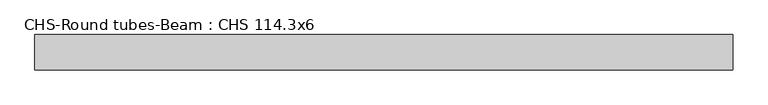
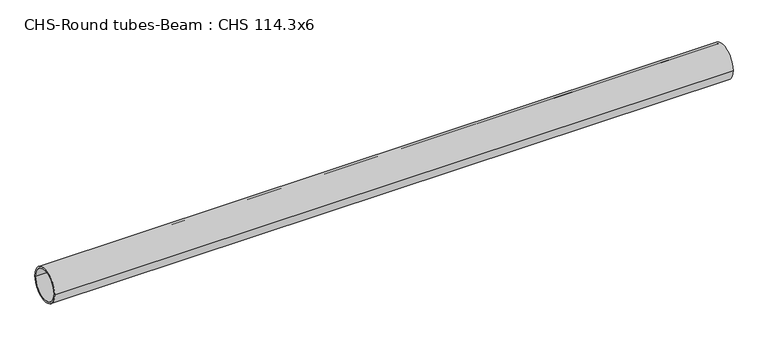
"""IFC4 building model written with IfcOpenShell, lengths in millimetres: beam geometry, CHS-Round tubes-Beam : CHS 114.3x6."""

from ifc_helpers import new_model, si_unit, point, frame, origin, origin_2d, place, context, project, spatial, circle_curve, trimmed, segment, composite_curve, outline, extrude, source, transform, mapped, element, save


def chs_round_tubes_beam_chs_114_3x6_f8f61f1d(model_context):
    return source(origin(), model_context, "Body", "SweptSolid", [
        extrude(outline(composite_curve([segment(trimmed(circle_curve(origin_2d(), 57.15), [point((57.15, 0.0))], [point((-57.15, 0.0))], False, "CARTESIAN"), True, "CONTINUOUS"), segment(trimmed(circle_curve(origin_2d(), 57.15), [point((-57.15, 0.0))], [point((57.15, 0.0))], False, "CARTESIAN"), True, "CONTINUOUS")], self_intersect=False), holes=[composite_curve([segment(trimmed(circle_curve(origin_2d(), 51.15), [point((51.15, 0.0))], [point((-51.15, 0.0))], True, "CARTESIAN"), True, "CONTINUOUS"), segment(trimmed(circle_curve(origin_2d(), 51.15), [point((-51.15, 0.0))], [point((51.15, 0.0))], True, "CARTESIAN"), True, "CONTINUOUS")], self_intersect=False)]), frame((-1091.766645, 0.0, 0.0), z_axis=(1.0, 0.0, 0.0), x_axis=(0.0, 1.0, 0.0)), (0.0, 0.0, 1.0), 2267.0223698),
    ])


if __name__ == "__main__":
    model = new_model("IFC4")
    model_context = context("Model", 3, world=origin())
    ifc_project = project(units=[si_unit("LENGTHUNIT", "METRE", prefix="MILLI")], contexts=[model_context])
    site = spatial("IfcSite", under=ifc_project)
    building = spatial("IfcBuilding", under=site)
    placement = place(None, origin())
    chs_round_tubes_beam_chs_114_3x6_shape = chs_round_tubes_beam_chs_114_3x6_f8f61f1d(model_context)
    element("IfcBeam", 1, ObjectType="CHS-Round tubes-Beam : CHS 114.3x6", at=placement, inside=building, context=model_context, shape_type="MappedRepresentation", body=[
        mapped(chs_round_tubes_beam_chs_114_3x6_shape, transform((0.0, 0.0, 0.0), x_axis=(1.0, 0.0, 0.0), y_axis=(0.0, 1.0, 0.0), z_axis=(0.0, 0.0, 1.0))),
    ])
    save(model, "model.ifc")
